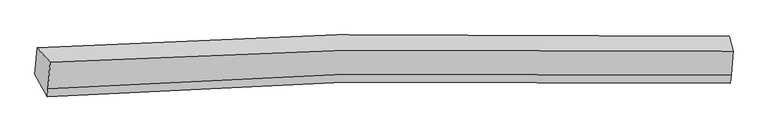
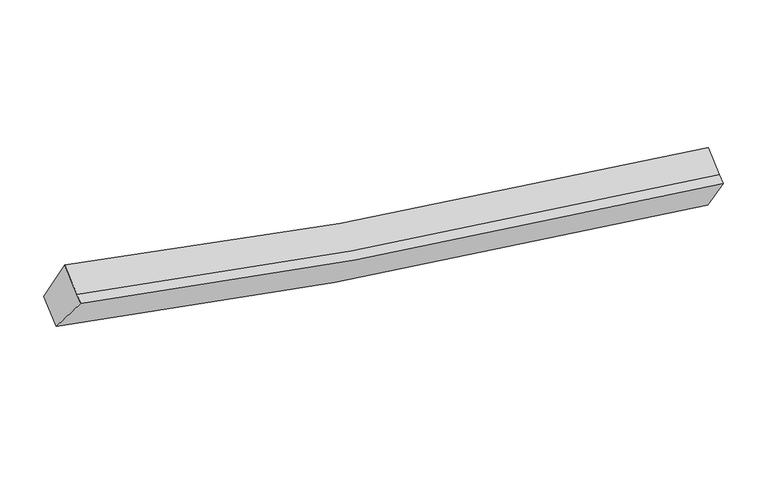
"""IFC4 building model written with IfcOpenShell, lengths in millimetres: proxy geometry."""

from ifc_helpers import new_model, si_unit, frame, origin, place, context, project, spatial, source, transform, mapped, element, save
from ifc_brep_helpers import plane_surface, spline_curve, spline_surface, advanced_brep


def generic_models_66b9381b(model_context):
    return source(origin(), model_context, "Body", "AdvancedBrep", [
        advanced_brep(
        [(-4949.0699653, -1827.0838446, 3911.0381058), (-4738.8124477, -2066.7012621, 4551.400646), (6266.8929214, -1885.0570101, 2691.3511108), (6205.3, -1640.0890805, 2022.1083006), (-4774.4185225, -2490.6365798, 4289.57367), (6234.1379436, -2275.0464148, 2450.4894928), (-4785.1101363, -2617.9337534, 4210.9535772), (6223.4463298, -2402.3435884, 2371.8694), (-4984.8705161, -2253.334644, 3647.7810635), (6172.3505463, -2032.393967, 1779.8166164)],
        [
            (0, 1),
            (1, 2, spline_curve(3, [(-4738.8124477, -2066.7012621, 4551.400646), (-3159.058562467, -1968.660416969, 4138.41056123), (-1567.905605557, -1901.932950392, 3787.400424792), (2093.251808971, -1821.026650578, 3127.088000776), (4170.667308703, -1827.206033706, 2858.081625039), (6266.8929214, -1885.0570101, 2691.3511108)], [4, 2, 4], [0.0, 16.163316862653268, 36.92638138127741])),
            (2, 3),
            (3, 0, spline_curve(3, [(6205.3, -1640.0890805, 2022.1083006), (4080.53200879, -1581.618847783, 2191.717652492), (1974.955659644, -1575.732280847, 2465.027757733), (-1735.606300293, -1658.781434573, 3135.528335311), (-3348.153273657, -1726.999588771, 3491.861498571), (-4949.0699653, -1827.0838446, 3911.0381058)], [4, 2, 4], [0.0, 20.76306451862414, 36.92638138127741])),
            (1, 4),
            (4, 5, spline_curve(3, [(-4774.4185225, -2490.6365798, 4289.57367), (-3193.298280065, -2376.327525634, 3886.631004542), (-1601.19495767, -2298.284754487, 3542.60932103), (2061.183277426, -2202.843047828, 2891.274119394), (4138.598776693, -2209.022430467, 2622.267743666), (6234.1379436, -2275.0464148, 2450.4894928)], [4, 2, 4], [0.0, 16.054162317379035, 36.67700915139745])),
            (5, 2),
            (4, 6),
            (6, 7, spline_curve(3, [(-4785.1101363, -2617.9337534, 4210.9535772), (-3203.989893556, -2503.624699158, 3808.010912065), (-1611.886571113, -2425.581927851, 3463.989228285), (2050.491663167, -2330.140221732, 2812.654026523), (4127.907162917, -2336.319604684, 2543.647651296), (6223.4463298, -2402.3435884, 2371.8694)], [4, 2, 4], [0.0, 16.054082435849303, 36.67682665569701])),
            (7, 5),
            (6, 8),
            (8, 9, spline_curve(3, [(-4984.8705161, -2253.334644, 3647.7810635), (-3382.587467131, -2136.982178989, 3238.651875581), (-1769.090128528, -2057.44872051, 2889.307165029), (1942.692652256, -1959.864159616, 2227.783810562), (4048.269001339, -1965.75072631, 1954.473704877), (6172.3505463, -2032.393967, 1779.8166164)], [4, 2, 4], [0.0, 16.163028480197074, 36.92572254864723])),
            (9, 7),
            (8, 0),
            (3, 9),
        ],
        [
            spline_surface(3, 3, [[(-4949.0699653, -1827.0838446, 3911.0381058), (-3348.153273404, -1726.999588853, 3491.861498513), (-1735.606300529, -1658.781434392, 3135.528335375), (1974.955659948, -1575.73228108, 2465.02775765), (4080.532008806, -1581.618847501, 2191.71765239), (6205.3, -1640.0890805, 2022.1083006)], [(-4878.984126094, -1906.956317125, 4124.492285862), (-3285.121703058, -1807.553198297, 3707.377852721), (-1679.706068884, -1739.831939673, 3352.819031864), (2014.387709642, -1657.497070991, 2685.714505277), (4110.57710873, -1663.48124291, 2413.838976618), (6225.830973789, -1721.74505703, 2245.189237308)], [(-4808.898286906, -1986.828789575, 4337.946465938), (-3222.090132729, -1888.106807664, 3922.894206942), (-1623.805837245, -1820.882444939, 3570.109728432), (2053.81975933, -1739.261860887, 2906.401252983), (4140.622208686, -1745.343638328, 2635.96030092), (6246.361947611, -1803.40103357, 2468.270174092)], [(-4738.8124477, -2066.7012621, 4551.400646), (-3159.058562382, -1968.660417108, 4138.410561149), (-1567.905605599, -1901.93295022, 3787.400424921), (2093.251809025, -1821.026650798, 3127.08800061), (4170.667308609, -1827.206033737, 2858.081625148), (6266.8929214, -1885.0570101, 2691.3511108)]], [4, 4], [4, 2, 4], [0.0, 2.346857996377727], [0.0, 16.163316862653268, 36.92638138127741]),
            spline_surface(3, 3, [[(-4738.8124477, -2066.7012621, 4551.400646), (-3159.058562382, -1968.660417108, 4138.410561149), (-1567.905605599, -1901.93295022, 3787.400424921), (2093.251809025, -1821.026650798, 3127.08800061), (4170.667308609, -1827.206033737, 2858.081625148), (6266.8929214, -1885.0570101, 2691.3511108)], [(-4750.681139302, -2208.01303466, 4464.124987313), (-3170.471801588, -2104.549453318, 4054.484042298), (-1579.002056249, -2034.050218324, 3705.803390302), (2082.562298442, -1948.298783142, 3048.483373539), (4159.977798026, -1954.47816608, 2779.476998077), (6255.974595467, -2015.053478342, 2611.063904807)], [(-4762.549830898, -2349.32480724, 4376.849328687), (-3181.885040788, -2240.438489547, 3970.557523509), (-1590.098506901, -2166.167486402, 3624.206355662), (2071.872787856, -2075.57091546, 2969.878746448), (4149.28828744, -2081.750298398, 2700.872370986), (6245.056269533, -2145.049946558, 2530.776698793)], [(-4774.4185225, -2490.6365798, 4289.57367), (-3193.298279995, -2376.327525757, 3886.631004659), (-1601.194957551, -2298.284754506, 3542.609321043), (2061.183277273, -2202.843047803, 2891.274119378), (4138.598776857, -2209.022430742, 2622.267743915), (6234.1379436, -2275.0464148, 2450.4894928)]], [4, 4], [4, 2, 4], [0.0, 1.4983474654401063], [0.0, 16.054162317379035, 36.67700915139745]),
            spline_surface(3, 3, [[(-4774.4185225, -2490.6365798, 4289.57367), (-3193.298279995, -2376.327525757, 3886.631004659), (-1601.194957551, -2298.284754506, 3542.609321043), (2061.183277273, -2202.843047803, 2891.274119378), (4138.598776857, -2209.022430742, 2622.267743915), (6234.1379436, -2275.0464148, 2450.4894928)], [(-4777.982393761, -2533.068970994, 4263.366972398), (-3196.862151255, -2418.759916951, 3860.424307056), (-1604.758828811, -2340.7171457, 3516.402623441), (2057.619406012, -2245.275438997, 2865.067421775), (4135.034905596, -2251.454821935, 2596.061046313), (6230.574072339, -2317.478805994, 2424.282795198)], [(-4781.546265039, -2575.501362206, 4237.160274802), (-3200.426022534, -2461.192308163, 3834.217609461), (-1608.32270009, -2383.149536912, 3490.195925845), (2054.055534734, -2287.707830209, 2838.86072418), (4131.471034318, -2293.887213148, 2569.854348717), (6227.010201061, -2359.911197206, 2398.076097602)], [(-4785.1101363, -2617.9337534, 4210.9535772), (-3203.989893795, -2503.624699357, 3808.010911859), (-1611.886571351, -2425.581928106, 3463.989228243), (2050.491663473, -2330.140221403, 2812.654026578), (4127.907163057, -2336.319604342, 2543.647651115), (6223.4463298, -2402.3435884, 2371.8694)]], [4, 4], [4, 2, 4], [0.0, 0.49212598425196796], [0.0, 16.054082435849303, 36.67682665569701]),
            spline_surface(3, 3, [[(-4785.1101363, -2617.9337534, 4210.9535772), (-3203.989893795, -2503.624699357, 3808.010911859), (-1611.886571351, -2425.581928106, 3463.989228243), (2050.491663473, -2330.140221403, 2812.654026578), (4127.907163057, -2336.319604342, 2543.647651115), (6223.4463298, -2402.3435884, 2371.8694)], [(-4851.696929557, -2496.400716934, 4023.229405992), (-3263.522418192, -2381.410525973, 3618.224566505), (-1664.287757047, -2302.870858885, 3272.428540608), (2014.558659728, -2206.714867551, 2617.697287805), (4101.361109083, -2212.796644993, 2347.256335742), (6206.41440196, -2279.027047929, 2174.518472146)], [(-4918.283722843, -2374.867680466, 3835.505234708), (-3323.054942619, -2259.196352586, 3428.438221076), (-1716.688942785, -2180.1597896, 3080.867852932), (1978.625655941, -2083.289513636, 2422.74054899), (4074.815055128, -2089.273685655, 2150.865020331), (6189.38247414, -2155.710507471, 1977.167544254)], [(-4984.8705161, -2253.334644, 3647.7810635), (-3382.587467017, -2136.982179202, 3238.651875723), (-1769.090128481, -2057.448720378, 2889.307165297), (1942.692652196, -1959.864159785, 2227.783810218), (4048.269001154, -1965.750726306, 1954.473704958), (6172.3505463, -2032.393967, 1779.8166164)]], [4, 4], [4, 2, 4], [0.0, 2.296581140380127], [0.0, 16.163028480197074, 36.92572254864723]),
            spline_surface(3, 3, [[(-4984.8705161, -2253.334644, 3647.7810635), (-3382.587467017, -2136.982179202, 3238.651875723), (-1769.090128481, -2057.448720378, 2889.307165297), (1942.692652196, -1959.864159785, 2227.783810218), (4048.269001154, -1965.750726306, 1954.473704958), (6172.3505463, -2032.393967, 1779.8166164)], [(-4972.936999187, -2111.251044186, 3735.533410935), (-3371.109402499, -2000.321315739, 3323.055083321), (-1757.92885252, -1924.559625021, 2971.380888664), (1953.44698809, -1831.820200188, 2306.865126036), (4059.023337048, -1837.706766709, 2033.555020776), (6183.333697544, -1901.625671505, 1860.580511141)], [(-4961.003482213, -1969.167444414, 3823.285758365), (-3359.631337922, -1863.660452316, 3407.458290915), (-1746.76757649, -1791.670529749, 3053.454612008), (1964.201324053, -1703.776240677, 2385.946441831), (4069.777672912, -1709.662807098, 2112.636336572), (6194.316848756, -1770.857375995, 1941.344405859)], [(-4949.0699653, -1827.0838446, 3911.0381058), (-3348.153273404, -1726.999588853, 3491.861498513), (-1735.606300529, -1658.781434392, 3135.528335375), (1974.955659948, -1575.73228108, 2465.02775765), (4080.532008806, -1581.618847501, 2191.71765239), (6205.3, -1640.0890805, 2022.1083006)]], [4, 4], [4, 2, 4], [0.0, 1.507299028998663], [0.0, 16.272054053735424, 37.174800132351095]),
            plane_surface(frame((6216.9974494, -1989.9709115, 2216.2863569), z_axis=(0.99478209073953, -0.02202709007679144, -0.09961625995106729), x_axis=(-0.07299397645625388, 0.5284994591596522, -0.8457896908032511))),
            plane_surface(frame((-4864.4657663, -2191.263376, 4080.2933481), z_axis=(-0.9557627146764112, -0.09222815798365681, 0.2793055676303623), x_axis=(-0.07127742521302488, -0.8486478238767319, -0.524133952043072))),
        ],
        [
            (0, [[1, 2, 3, 4]]),
            (1, [[5, 6, 7, -2]]),
            (2, [[8, 9, 10, -6]]),
            (3, [[11, 12, 13, -9]]),
            (4, [[14, -4, 15, -12]]),
            (5, [[-13, -15, -3, -7, -10]]),
            (6, [[-14, -11, -8, -5, -1]]),
        ],
    ),
    ])


if __name__ == "__main__":
    model = new_model("IFC4")
    model_context = context("Model", 3, world=origin())
    ifc_project = project(units=[si_unit("LENGTHUNIT", "METRE", prefix="MILLI")], contexts=[model_context])
    site = spatial("IfcSite", under=ifc_project)
    building = spatial("IfcBuilding", under=site)
    placement = place(None, origin())
    generic_models_shape = generic_models_66b9381b(model_context)
    element("IfcBuildingElementProxy", 1, Name="Generic Models", at=placement, inside=building, context=model_context, shape_type="MappedRepresentation", body=[
        mapped(generic_models_shape, transform((0.0, 0.0, 0.0), x_axis=(1.0, 0.0, 0.0), y_axis=(0.0, 1.0, 0.0), z_axis=(0.0, 0.0, 1.0))),
    ])
    save(model, "model.ifc")
